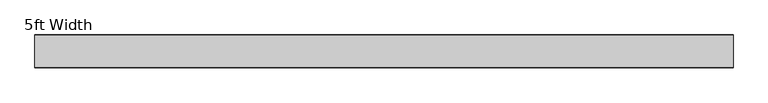
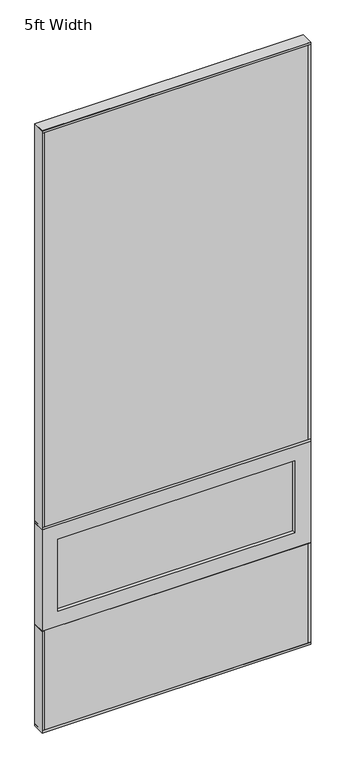
"""IFC4 building model written with IfcOpenShell, lengths in millimetres: plate geometry, 5ft Width."""

from ifc_helpers import new_model, si_unit, frame, origin, origin_with_axes, place, context, project, spatial, polyline, outline, extrude, source, transform, mapped, element, save


def plate_5ft_width_c391f462(model_context):
    return source(origin(), model_context, "Body", "SweptSolid", [
        extrude(outline(polyline([(762.0, 34.925), (762.0, -34.925), (-762.0, -34.925), (-762.0, 34.925), (762.0, 34.925)])), frame((0.0, 0.0, 1219.2), z_axis=(0.0, 0.0, 1.0), x_axis=(1.0, 0.0, 0.0)), (0.0, 0.0, 1.0), 2393.95),
        extrude(outline(polyline([(762.0, 34.925), (762.0, -34.925), (-762.0, -34.925), (-762.0, 34.925), (762.0, 34.925)])), origin_with_axes(), (0.0, 0.0, 1.0), 609.6),
        extrude(outline(polyline([(-673.1, 12.7), (673.1, 12.7), (673.1, -12.7), (-673.1, -12.7), (-673.1, 12.7)])), frame((0.0, 0.0, 698.5), z_axis=(0.0, 0.0, 1.0), x_axis=(1.0, 0.0, 0.0)), (0.0, 0.0, 1.0), 431.8),
        extrude(outline(polyline([(1219.2, -762.0), (609.6, -762.0), (609.6, 762.0), (1219.2, 762.0), (1219.2, -762.0)]), holes=[polyline([(1130.3, 673.1), (698.5, 673.1), (698.5, -673.1), (1130.3, -673.1), (1130.3, 673.1)])]), frame((0.0, -34.925, 0.0), z_axis=(0.0, 1.0, 0.0), x_axis=(0.0, 0.0, 1.0)), (0.0, 0.0, 1.0), 69.85),
        extrude(outline(polyline([(762.0, 35.71875), (762.0, -35.71875), (-762.0, -35.71875), (-762.0, 35.71875), (762.0, 35.71875)])), origin_with_axes(), (0.0, 0.0, 1.0), 12.7),
        extrude(outline(polyline([(749.3, 35.71875), (762.0, 35.71875), (762.0, -35.71875), (749.3, -35.71875), (749.3, 35.71875)])), origin_with_axes(), (0.0, 0.0, 1.0), 609.6),
        extrude(outline(polyline([(-749.3, 35.71875), (-749.3, -35.71875), (-762.0, -35.71875), (-762.0, 35.71875), (-749.3, 35.71875)])), origin_with_axes(), (0.0, 0.0, 1.0), 609.6),
        extrude(outline(polyline([(762.0, 35.71875), (762.0, -35.71875), (-762.0, -35.71875), (-762.0, 35.71875), (762.0, 35.71875)])), frame((0.0, 0.0, 1219.2), z_axis=(0.0, 0.0, 1.0), x_axis=(1.0, 0.0, 0.0)), (0.0, 0.0, 1.0), 12.7),
        extrude(outline(polyline([(762.0, 35.71875), (762.0, -35.71875), (-762.0, -35.71875), (-762.0, 35.71875), (762.0, 35.71875)])), frame((0.0, 0.0, 3600.45), z_axis=(0.0, 0.0, 1.0), x_axis=(1.0, 0.0, 0.0)), (0.0, 0.0, 1.0), 12.7),
        extrude(outline(polyline([(762.0, 35.71875), (762.0, -35.71875), (749.3, -35.71875), (749.3, 35.71875), (762.0, 35.71875)])), frame((0.0, 0.0, 1219.2), z_axis=(0.0, 0.0, 1.0), x_axis=(1.0, 0.0, 0.0)), (0.0, 0.0, 1.0), 2393.95),
        extrude(outline(polyline([(-749.3, 35.71875), (-749.3, -35.71875), (-762.0, -35.71875), (-762.0, 35.71875), (-749.3, 35.71875)])), frame((0.0, 0.0, 1219.2), z_axis=(0.0, 0.0, 1.0), x_axis=(1.0, 0.0, 0.0)), (0.0, 0.0, 1.0), 2393.95),
    ])


if __name__ == "__main__":
    model = new_model("IFC4")
    model_context = context("Model", 3, world=origin())
    ifc_project = project(units=[si_unit("LENGTHUNIT", "METRE", prefix="MILLI")], contexts=[model_context])
    site = spatial("IfcSite", under=ifc_project)
    building = spatial("IfcBuilding", under=site)
    placement = place(None, origin())
    plate_5ft_width_shape = plate_5ft_width_c391f462(model_context)
    element("IfcPlate", 1, ObjectType="5ft Width", at=placement, inside=building, context=model_context, shape_type="MappedRepresentation", body=[
        mapped(plate_5ft_width_shape, transform((0.0, 0.0, 0.0), x_axis=(1.0, 0.0, 0.0), y_axis=(0.0, 1.0, 0.0), z_axis=(0.0, 0.0, 1.0))),
    ])
    save(model, "model.ifc")
